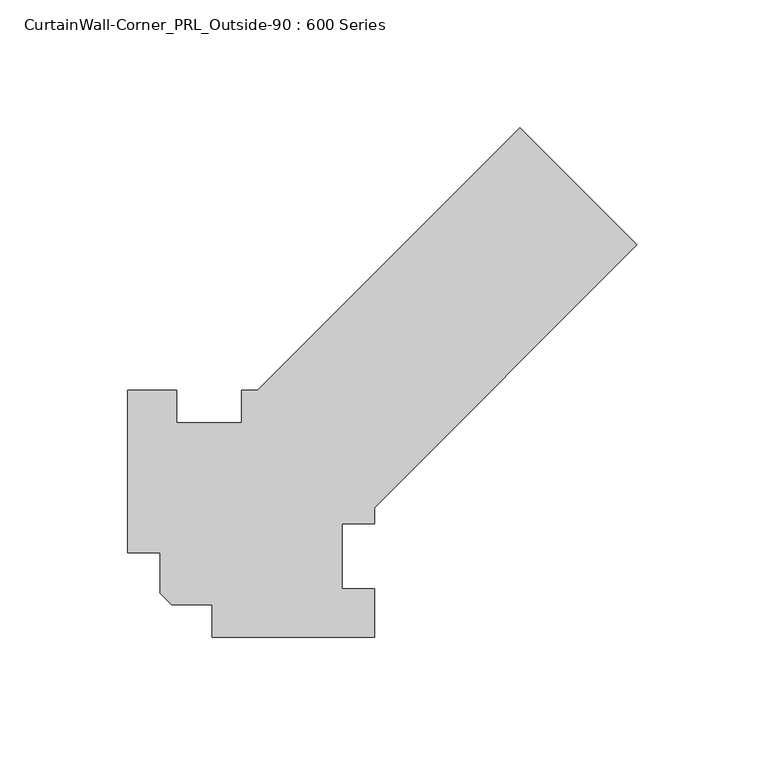
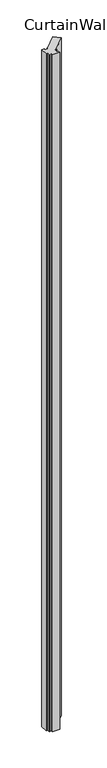
"""IFC4 building model written with IfcOpenShell, lengths in millimetres: proxy geometry, CurtainWall-Corner_PRL_Outside-90 : 600 Series."""

from ifc_helpers import new_model, si_unit, origin, origin_with_axes, place, context, project, spatial, polyline, outline, extrude, source, transform, mapped, element, save


def curtainwall_corner_prl_outside_90_600_series_a1e73b2d(model_context):
    return source(origin(), model_context, "Body", "SweptSolid", [
        extrude(outline(polyline([(-31.75, 1.3151281), (-31.75, 64.8151281), (-12.7, 64.8151281), (-12.7, 52.1151281), (12.7, 52.1151281), (12.7, 64.8151281), (19.05, 64.8151281), (121.7616794, 167.5268074), (167.5268074, 121.7616794), (64.8151281, 19.05), (64.8151281, 12.7), (52.1151281, 12.7), (52.1151281, -12.7), (64.8151281, -12.7), (64.8151281, -31.75), (1.3151281, -31.75), (1.3151281, -19.05), (-14.5598719, -19.05), (-19.05, -14.5598719), (-19.05, 1.3151281), (-31.75, 1.3151281)])), origin_with_axes(), (0.0, 0.0, 1.0), 6096.0),
    ])


if __name__ == "__main__":
    model = new_model("IFC4")
    model_context = context("Model", 3, world=origin())
    ifc_project = project(units=[si_unit("LENGTHUNIT", "METRE", prefix="MILLI")], contexts=[model_context])
    site = spatial("IfcSite", under=ifc_project)
    building = spatial("IfcBuilding", under=site)
    placement = place(None, origin())
    curtainwall_corner_prl_outside_90_600_series_shape = curtainwall_corner_prl_outside_90_600_series_a1e73b2d(model_context)
    element("IfcBuildingElementProxy", 1, Name="CurtainWall-Corner_PRL_Outside-90 : 600 Series", ObjectType="CurtainWall-Corner_PRL_Outside-90 : 600 Series", at=placement, inside=building, context=model_context, shape_type="MappedRepresentation", body=[
        mapped(curtainwall_corner_prl_outside_90_600_series_shape, transform((0.0, 0.0, 0.0), x_axis=(1.0, 0.0, 0.0), y_axis=(0.0, 1.0, 0.0), z_axis=(0.0, 0.0, 1.0))),
    ])
    save(model, "model.ifc")
